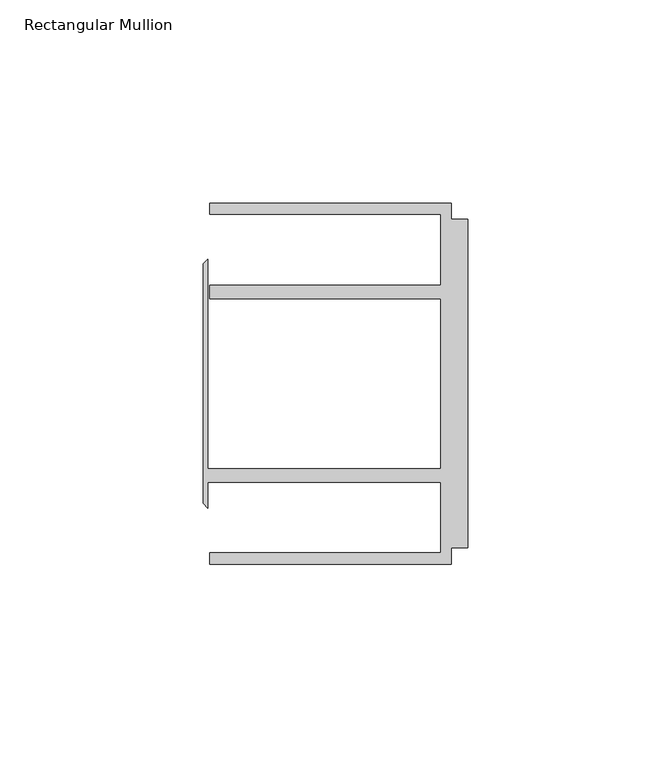
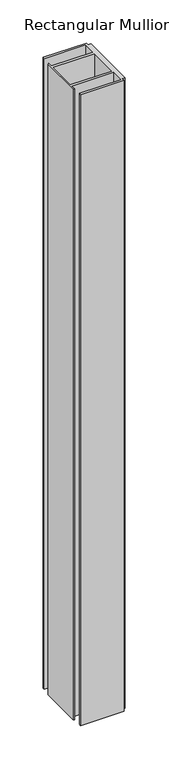
"""IFC4 building model written with IfcOpenShell, lengths in millimetres: member geometry, Rectangular Mullion."""

from ifc_helpers import new_model, si_unit, frame, origin, place, context, project, spatial, polyline, outline, extrude, source, transform, mapped, element, save


def rectangular_mullion_de6ee55d(model_context):
    return source(origin(), model_context, "Body", "SweptSolid", [
        extrude(outline(polyline([(-4.0000001, 44.45), (-4.0000001, 40.4500013), (0.0, 40.4500013), (0.0, -40.4500013), (-4.0000001, -40.4500013), (-4.0000001, -44.45), (-63.5, -44.45), (-63.5, -41.6500013), (-6.6000002, -41.6500013), (-6.6000002, -24.2500008), (-63.9424102, -24.2500008), (-63.9424102, -30.6159585), (-65.0875, -29.4708687), (-65.0875, 29.4708687), (-63.9424102, 30.6159585), (-63.9424102, -20.9500007), (-6.6000002, -20.9500007), (-6.6000002, 20.9500007), (-63.5, 20.9500007), (-63.5, 24.2500008), (-6.6000002, 24.2500008), (-6.6000002, 41.6500013), (-63.5, 41.6500013), (-63.5, 44.45), (-4.0000001, 44.45)])), frame((0.0, 0.0, -914.4), z_axis=(0.0, 0.0, 1.0), x_axis=(1.0, 0.0, 0.0)), (0.0, 0.0, 1.0), 914.4),
    ])


if __name__ == "__main__":
    model = new_model("IFC4")
    model_context = context("Model", 3, world=origin())
    ifc_project = project(units=[si_unit("LENGTHUNIT", "METRE", prefix="MILLI")], contexts=[model_context])
    site = spatial("IfcSite", under=ifc_project)
    building = spatial("IfcBuilding", under=site)
    placement = place(None, origin())
    rectangular_mullion_shape = rectangular_mullion_de6ee55d(model_context)
    element("IfcMember", 1, ObjectType="Rectangular Mullion", at=placement, inside=building, context=model_context, shape_type="MappedRepresentation", body=[
        mapped(rectangular_mullion_shape, transform((0.0, 0.0, 0.0), x_axis=(1.0, 0.0, 0.0), y_axis=(0.0, 1.0, 0.0), z_axis=(0.0, 0.0, 1.0))),
    ])
    save(model, "model.ifc")
